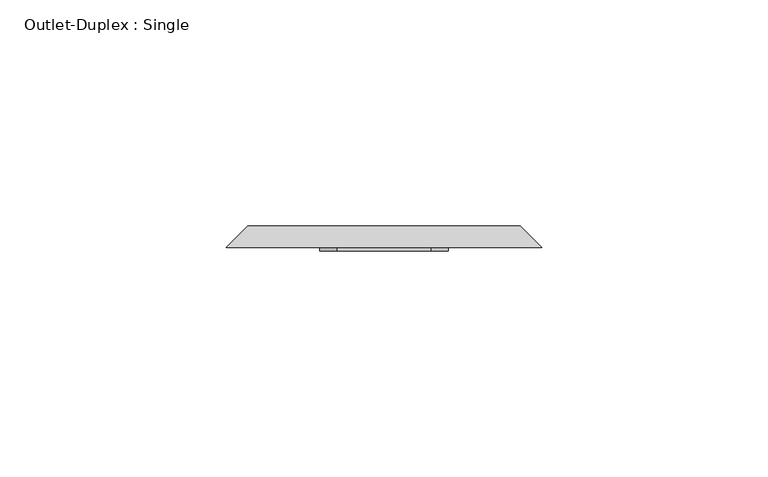
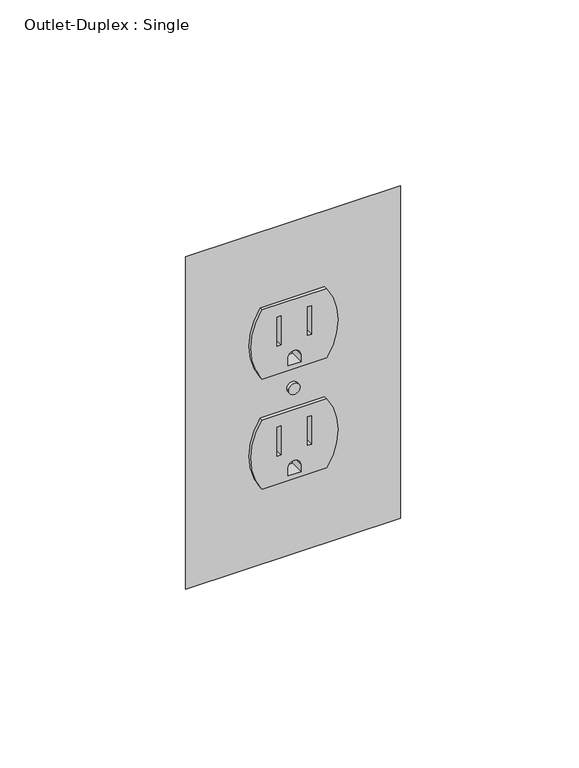
"""IFC4 building model written with IfcOpenShell, lengths in millimetres: proxy geometry, Outlet-Duplex : Single."""

from ifc_helpers import new_model, si_unit, point, frame, frame_2d, origin, place, context, project, spatial, polyline, circle_curve, trimmed, segment, composite_curve, outline, extrude, source, transform, mapped, element, save
from ifc_brep_helpers import plane_surface, revolved_surface, advanced_brep


def outlet_duplex_single_1f5ace61(model_context):
    return source(origin(), model_context, "Body", "SolidModel", [
        extrude(outline(composite_curve([segment(polyline([(273.9614857, -10.4931617), (273.9614857, 10.4931617)]), True, "CONTINUOUS"), segment(trimmed(circle_curve(frame_2d((285.8677357, -6.8576098)), 21.043005), [point((273.9614857, 10.4931617))], [point((297.7739857, 10.4931617))], False, "CARTESIAN"), True, "CONTINUOUS"), segment(polyline([(297.7739857, 10.4931617), (297.7739857, -10.4931617)]), True, "CONTINUOUS"), segment(trimmed(circle_curve(frame_2d((285.8677357, 6.8576098)), 21.043005), [point((297.7739857, -10.4931617))], [point((273.9614857, -10.4931617))], False, "CARTESIAN"), True, "CONTINUOUS")], self_intersect=False), holes=[polyline([(283.8450983, 5.6261139), (283.8450983, 4.3502847), (293.6358342, 4.3502847), (293.6358342, 5.6261139), (283.8450983, 5.6261139)]), polyline([(283.6466608, -5.6261139), (293.6358342, -5.6261139), (293.6358342, -4.3502847), (283.6466608, -4.3502847), (283.6466608, -5.6261139)]), composite_curve([segment(polyline([(275.5679027, 2.0747584), (275.5679027, -2.0747584), (278.0820784, -2.0747584)]), True, "CONTINUOUS"), segment(trimmed(circle_curve(frame_2d((278.0820784, 0.0)), 2.0747584), [point((278.0820784, -2.0747584))], [point((278.0820784, 2.0747584))], True, "CARTESIAN"), True, "CONTINUOUS"), segment(polyline([(278.0820784, 2.0747584), (275.5679027, 2.0747584)]), True, "CONTINUOUS")], self_intersect=False)]), frame((0.0, 100.8018591, 0.0), z_axis=(0.0, 1.0, 0.0), x_axis=(0.0, 0.0, 1.0)), (0.0, 0.0, 1.0), 4.7441942),
        extrude(outline(composite_curve([segment(trimmed(circle_curve(frame_2d((323.7322643, 6.8576098)), 21.043005), [point((335.6385143, -10.4931617))], [point((311.8260143, -10.4931617))], False, "CARTESIAN"), True, "CONTINUOUS"), segment(polyline([(311.8260143, -10.4931617), (311.8260143, 10.4931617)]), True, "CONTINUOUS"), segment(trimmed(circle_curve(frame_2d((323.7322643, -6.8576098)), 21.043005), [point((311.8260143, 10.4931617))], [point((335.6385143, 10.4931617))], False, "CARTESIAN"), True, "CONTINUOUS"), segment(polyline([(335.6385143, 10.4931617), (335.6385143, -10.4931617)]), True, "CONTINUOUS")], self_intersect=False), holes=[polyline([(321.709627, 5.6261139), (321.709627, 4.3502847), (331.5003629, 4.3502847), (331.5003629, 5.6261139), (321.709627, 5.6261139)]), polyline([(321.5111895, -5.6261139), (331.5003629, -5.6261139), (331.5003629, -4.3502847), (321.5111895, -4.3502847), (321.5111895, -5.6261139)]), composite_curve([segment(polyline([(313.4324314, 2.0747584), (313.4324314, -2.0747584), (315.9466071, -2.0747584)]), True, "CONTINUOUS"), segment(trimmed(circle_curve(frame_2d((315.9466071, 0.0)), 2.0747584), [point((315.9466071, -2.0747584))], [point((315.9466071, 2.0747584))], True, "CARTESIAN"), True, "CONTINUOUS"), segment(polyline([(315.9466071, 2.0747584), (313.4324314, 2.0747584)]), True, "CONTINUOUS")], self_intersect=False)]), frame((0.0, 100.8018591, 0.0), z_axis=(0.0, 1.0, 0.0), x_axis=(0.0, 0.0, 1.0)), (0.0, 0.0, 1.0), 4.7441942),
        extrude(outline(composite_curve([segment(trimmed(circle_curve(frame_2d((304.8, 0.0)), 1.8474562), [point((304.8, -1.8474562))], [point((304.8, 1.8474562))], False, "CARTESIAN"), True, "CONTINUOUS"), segment(trimmed(circle_curve(frame_2d((304.8, 0.0)), 1.8474562), [point((304.8, 1.8474562))], [point((304.8, -1.8474562))], False, "CARTESIAN"), True, "CONTINUOUS")], self_intersect=False)), frame((0.0, 100.8018591, 0.0), z_axis=(0.0, 1.0, 0.0), x_axis=(0.0, 0.0, 1.0)), (0.0, 0.0, 1.0), 4.7441942),
        advanced_brep(
        [(-30.1625, 106.3625, 357.1875), (30.1625, 106.3625, 357.1875), (30.1625, 106.3625, 252.4125), (-30.1625, 106.3625, 252.4125), (10.4931617, 106.3625, 311.8260143), (10.4931617, 106.3625, 335.6385143), (-10.4931617, 106.3625, 335.6385143), (-10.4931617, 106.3625, 311.8260143), (-10.4931617, 106.3625, 297.7739857), (-10.4931617, 106.3625, 273.9614857), (10.4931617, 106.3625, 273.9614857), (10.4931617, 106.3625, 297.7739857), (1.8474562, 106.3625, 304.8), (-1.8474562, 106.3625, 304.8), (-34.925, 101.6, 361.95), (-34.925, 101.6, 247.65), (34.925, 101.6, 247.65), (34.925, 101.6, 361.95), (10.4931617, 101.6, 335.6385143), (10.4931617, 101.6, 311.8260143), (-10.4931617, 101.6, 311.8260143), (-10.4931617, 101.6, 335.6385143), (-10.4931617, 101.6, 273.9614857), (-10.4931617, 101.6, 297.7739857), (10.4931617, 101.6, 297.7739857), (10.4931617, 101.6, 273.9614857), (-1.8474562, 101.6, 304.8), (1.8474562, 101.6, 304.8)],
        [
            (0, 1),
            (1, 2),
            (2, 3),
            (3, 0),
            (4, 5, circle_curve(frame((-6.8576098, 106.3625, 323.7322643), z_axis=(0.0, -1.0, 0.0), x_axis=(1.0, 0.0, 0.0)), 21.043005)),
            (5, 6),
            (6, 7, circle_curve(frame((6.8576098, 106.3625, 323.7322643), z_axis=(0.0, -1.0, 0.0), x_axis=(1.0, 0.0, 0.0)), 21.043005)),
            (7, 4),
            (8, 9, circle_curve(frame((6.8576098, 106.3625, 285.8677357), z_axis=(0.0, -1.0, 0.0), x_axis=(1.0, 0.0, 0.0)), 21.043005)),
            (9, 10),
            (10, 11, circle_curve(frame((-6.8576098, 106.3625, 285.8677357), z_axis=(0.0, -1.0, 0.0), x_axis=(1.0, 0.0, 0.0)), 21.043005)),
            (11, 8),
            (12, 13, circle_curve(frame((0.0, 106.3625, 304.8), z_axis=(0.0, -1.0, 0.0), x_axis=(1.0, 0.0, 0.0)), 1.8474562)),
            (13, 12, circle_curve(frame((0.0, 106.3625, 304.8), z_axis=(0.0, -1.0, 0.0), x_axis=(1.0, 0.0, 0.0)), 1.8474562)),
            (14, 15),
            (15, 16),
            (16, 17),
            (17, 14),
            (18, 19, circle_curve(frame((-6.8576098, 101.6, 323.7322643), z_axis=(0.0, 1.0, 0.0), x_axis=(1.0, 0.0, 0.0)), 21.043005)),
            (19, 20),
            (20, 21, circle_curve(frame((6.8576098, 101.6, 323.7322643), z_axis=(0.0, 1.0, 0.0), x_axis=(1.0, 0.0, 0.0)), 21.043005)),
            (21, 18),
            (22, 23, circle_curve(frame((6.8576098, 101.6, 285.8677357), z_axis=(0.0, 1.0, 0.0), x_axis=(1.0, 0.0, 0.0)), 21.043005)),
            (23, 24),
            (24, 25, circle_curve(frame((-6.8576098, 101.6, 285.8677357), z_axis=(0.0, 1.0, 0.0), x_axis=(1.0, 0.0, 0.0)), 21.043005)),
            (25, 22),
            (26, 27, circle_curve(frame((0.0, 101.6, 304.8), z_axis=(0.0, 1.0, 0.0), x_axis=(1.0, 0.0, 0.0)), 1.8474562)),
            (27, 26, circle_curve(frame((0.0, 101.6, 304.8), z_axis=(0.0, 1.0, 0.0), x_axis=(1.0, 0.0, 0.0)), 1.8474562)),
            (0, 14),
            (17, 1),
            (16, 2),
            (15, 3),
            (4, 19),
            (18, 5),
            (21, 6),
            (20, 7),
            (8, 23),
            (22, 9),
            (25, 10),
            (24, 11),
            (12, 27),
            (26, 13),
        ],
        [
            plane_surface(frame((0.0, 106.3625, 304.8), z_axis=(0.0, 1.0, 0.0), x_axis=(0.0, 0.0, -1.0))),
            plane_surface(frame((0.0, 101.6, 304.8), z_axis=(0.0, -1.0, 0.0), x_axis=(0.0, 0.0, -1.0))),
            plane_surface(frame((0.0, 101.6, 361.95), z_axis=(0.0, 0.7071067811867159, 0.7071067811863793), x_axis=(1.0, 0.0, 0.0))),
            plane_surface(frame((34.925, 101.6, 304.8), z_axis=(0.7071067811863626, 0.7071067811867324, 0.0), x_axis=(0.0, 0.0, -1.0))),
            plane_surface(frame((0.0, 101.6, 247.65), z_axis=(0.0, 0.7071067811867585, -0.7071067811863365), x_axis=(-1.0, 0.0, 0.0))),
            plane_surface(frame((-34.925, 101.6, 304.8), z_axis=(-0.7071067811862254, 0.7071067811868696, 0.0), x_axis=(0.0, 0.0, 1.0))),
            revolved_surface(polyline([(14.185395200000002, 101.6, 323.7322643), (14.185395200000002, 106.3625, 323.7322643)]), (-6.8576098, 152.384307, 323.7322643), (0.0, -1.0, 0.0)),
            plane_surface(frame((10.4931617, -198.4375, 335.6385143), z_axis=(0.0, 0.0, -1.0), x_axis=(0.0, 1.0, 0.0))),
            revolved_surface(polyline([(27.9006148, 101.6, 323.7322643), (27.9006148, 106.3625, 323.7322643)]), (6.8576098, 152.384307, 323.7322643), (0.0, -1.0, 0.0)),
            plane_surface(frame((-10.4931617, -198.4375, 311.8260143), z_axis=(0.0, 0.0, 1.0), x_axis=(0.0, 1.0, 0.0))),
            revolved_surface(polyline([(27.9006148, 101.6, 285.8677357), (27.9006148, 106.3625, 285.8677357)]), (6.8576098, 106.3625, 285.8677357), (0.0, -1.0, 0.0)),
            plane_surface(frame((-10.4931617, -198.4375, 273.9614857), z_axis=(0.0, 0.0, 1.0), x_axis=(0.0, 1.0, 0.0))),
            revolved_surface(polyline([(14.185395200000002, 101.6, 285.8677357), (14.185395200000002, 106.3625, 285.8677357)]), (-6.8576098, 106.3625, 285.8677357), (0.0, -1.0, 0.0)),
            plane_surface(frame((10.4931617, -198.4375, 297.7739857), z_axis=(0.0, 0.0, -1.0), x_axis=(0.0, 1.0, 0.0))),
            revolved_surface(polyline([(1.8474562, 101.6, 304.8), (1.8474562, 106.3625, 304.8)]), (0.0, 106.3625, 304.8), (0.0, -1.0, 0.0)),
        ],
        [
            (0, [[1, 2, 3, 4], [5, 6, 7, 8], [9, 10, 11, 12], [13, 14]]),
            (1, [[15, 16, 17, 18], [19, 20, 21, 22], [23, 24, 25, 26], [27, 28]]),
            (2, [[-1, 29, -18, 30]]),
            (3, [[-2, -30, -17, 31]]),
            (4, [[-3, -31, -16, 32]]),
            (5, [[-4, -32, -15, -29]]),
            (6, [[33, -19, 34, -5]]),
            (7, [[-34, -22, 35, -6]]),
            (8, [[-35, -21, 36, -7]]),
            (9, [[-33, -8, -36, -20]]),
            (10, [[37, -23, 38, -9]]),
            (11, [[-38, -26, 39, -10]]),
            (12, [[-39, -25, 40, -11]]),
            (13, [[-37, -12, -40, -24]]),
            (14, [[41, -27, 42, -13]]),
            (14, [[-41, -14, -42, -28]]),
        ],
    ),
    ])


if __name__ == "__main__":
    model = new_model("IFC4")
    model_context = context("Model", 3, world=origin())
    ifc_project = project(units=[si_unit("LENGTHUNIT", "METRE", prefix="MILLI")], contexts=[model_context])
    site = spatial("IfcSite", under=ifc_project)
    building = spatial("IfcBuilding", under=site)
    placement = place(None, origin())
    outlet_duplex_single_shape = outlet_duplex_single_1f5ace61(model_context)
    element("IfcBuildingElementProxy", 1, Name="Outlet-Duplex : Single", ObjectType="Outlet-Duplex : Single", at=placement, inside=building, context=model_context, shape_type="MappedRepresentation", body=[
        mapped(outlet_duplex_single_shape, transform((0.0, 0.0, 0.0), x_axis=(1.0, 0.0, 0.0), y_axis=(0.0, 1.0, 0.0), z_axis=(0.0, 0.0, 1.0))),
    ])
    save(model, "model.ifc")
